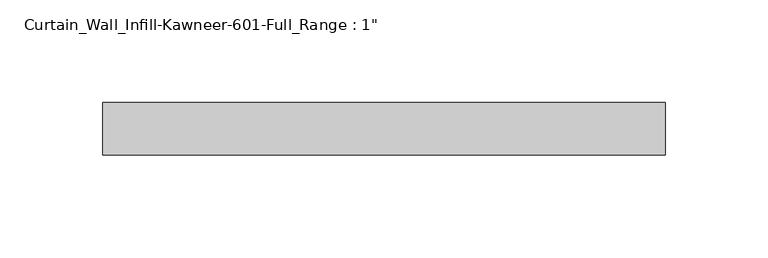
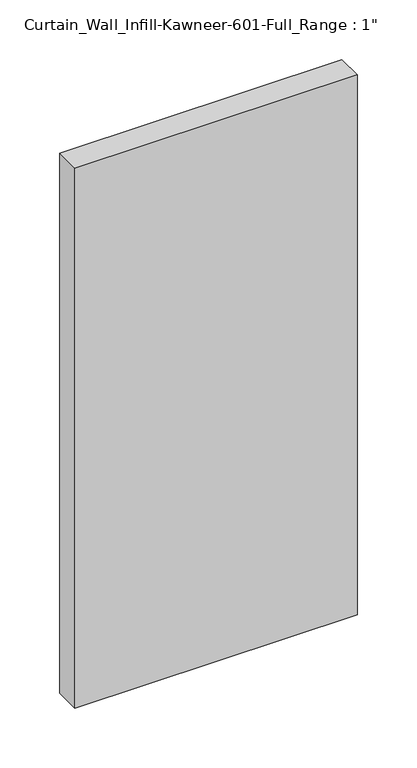
"""IFC4 building model written with IfcOpenShell, lengths in millimetres: plate geometry."""

from ifc_helpers import new_model, si_unit, origin, origin_with_axes, place, context, project, spatial, polyline, outline, extrude, source, transform, mapped, element, save


def plate_e87a31d2(model_context):
    return source(origin(), model_context, "Body", "SweptSolid", [
        extrude(outline(polyline([(-136.525, 12.7), (136.525, 12.7), (136.525, -12.7), (-136.525, -12.7), (-136.525, 12.7)])), origin_with_axes(), (0.0, 0.0, 1.0), 552.45),
    ])


if __name__ == "__main__":
    model = new_model("IFC4")
    model_context = context("Model", 3, world=origin())
    ifc_project = project(units=[si_unit("LENGTHUNIT", "METRE", prefix="MILLI")], contexts=[model_context])
    site = spatial("IfcSite", under=ifc_project)
    building = spatial("IfcBuilding", under=site)
    placement = place(None, origin())
    plate_shape = plate_e87a31d2(model_context)
    element("IfcPlate", 1, ObjectType="Curtain_Wall_Infill-Kawneer-601-Full_Range : 1\"", at=placement, inside=building, context=model_context, shape_type="MappedRepresentation", body=[
        mapped(plate_shape, transform((0.0, 0.0, 0.0), x_axis=(1.0, 0.0, 0.0), y_axis=(0.0, 1.0, 0.0), z_axis=(0.0, 0.0, 1.0))),
    ])
    save(model, "model.ifc")
